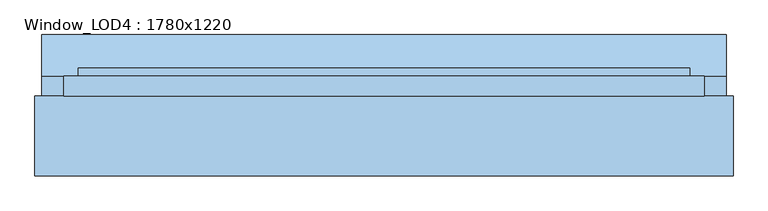
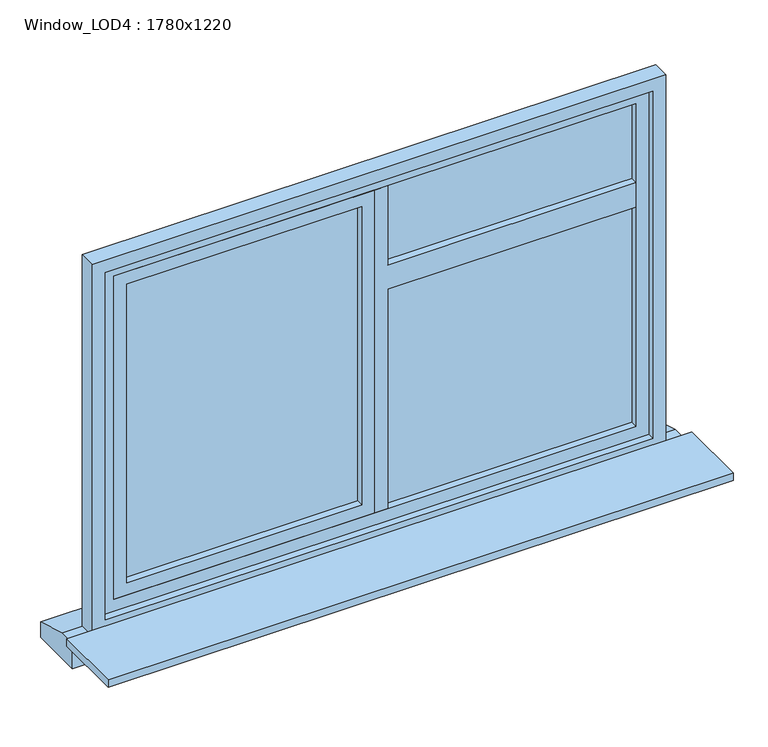
"""IFC4 building model written with IfcOpenShell, lengths in millimetres: window geometry, Window_LOD4 : 1780x1220."""

from ifc_helpers import new_model, si_unit, frame, origin, place, context, project, spatial, polyline, outline, extrude, source, transform, mapped, element, save


def window_lod4_1780x1220_7c3142e9(model_context):
    return source(origin(), model_context, "Body", "SweptSolid", [
        extrude(outline(polyline([(1600.0, 40.0), (1600.0, 810.0000356), (1680.0, 810.0000356), (1680.0, 40.0), (1940.0000489, 40.0), (1940.0000489, 0.0), (880.0, 0.0), (880.0, 40.0), (1600.0, 40.0)])), frame((0.0, 40.0, 0.0), z_axis=(0.0, 1.0, 0.0), x_axis=(0.0, 0.0, 1.0)), (0.0, 0.0, 1.0), 55.0),
        extrude(outline(polyline([(1940.0000489, 0.0), (1940.0000489, -810.0000356), (880.0, -810.0000356), (880.0, 0.0), (1940.0000489, 0.0)]), holes=[polyline([(1900.0000489, -40.0), (920.0, -40.0), (920.0, -770.0000356), (1900.0000489, -770.0000356), (1900.0000489, -40.0)])]), frame((0.0, 40.0, 0.0), z_axis=(0.0, 1.0, 0.0), x_axis=(0.0, 0.0, 1.0)), (0.0, 0.0, 1.0), 55.0),
        extrude(outline(polyline([(810.0000356, 62.5), (40.0, 62.5), (40.0, 72.5), (810.0000356, 72.5), (810.0000356, 62.5)])), frame((0.0, 0.0, 880.0), z_axis=(0.0, 0.0, 1.0), x_axis=(1.0, 0.0, 0.0)), (0.0, 0.0, 1.0), 1060.0000489),
        extrude(outline(polyline([(1980.0000489, -850.0000356), (840.0, -850.0000356), (840.0, 850.0000356), (1980.0000489, 850.0000356), (1980.0000489, -850.0000356)]), holes=[polyline([(1940.0000489, -810.0000356), (1940.0000489, 810.0000356), (880.0, 810.0000356), (880.0, -810.0000356), (1940.0000489, -810.0000356)])]), frame((0.0, 40.0, 0.0), z_axis=(0.0, 1.0, 0.0), x_axis=(0.0, 0.0, 1.0)), (0.0, 0.0, 1.0), 55.0),
        extrude(outline(polyline([(-40.0, 62.5), (-810.0000356, 62.5), (-810.0000356, 72.5), (-40.0, 72.5), (-40.0, 62.5)])), frame((0.0, 0.0, 880.0), z_axis=(0.0, 0.0, 1.0), x_axis=(1.0, 0.0, 0.0)), (0.0, 0.0, 1.0), 1060.0000489),
        extrude(outline(polyline([(72.5, 800.0), (187.5, 765.0), (187.5, 715.0), (17.5, 715.0), (17.5, 800.0), (72.5, 800.0)])), frame((-951.497375, 0.0, 0.0), z_axis=(1.0, 0.0, 0.0), x_axis=(0.0, 1.0, 0.0)), (0.0, 0.0, 1.0), 1902.99475),
        extrude(outline(polyline([(2020.0000489, -890.0000356), (800.0, -890.0000356), (800.0, 890.0000356), (2020.0000489, 890.0000356), (2020.0000489, -890.0000356)]), holes=[polyline([(1980.0000489, -850.0000356), (1980.0000489, 850.0000356), (840.0, 850.0000356), (840.0, -850.0000356), (1980.0000489, -850.0000356)])]), frame((0.0, 17.5, 0.0), z_axis=(0.0, 1.0, 0.0), x_axis=(0.0, 0.0, 1.0)), (0.0, 0.0, 1.0), 55.0),
        extrude(outline(polyline([(970.0000356, 17.5), (970.0000356, -205.4656872), (-970.0000356, -205.4656872), (-970.0000356, 17.5), (970.0000356, 17.5)])), frame((0.0, 0.0, 795.0), z_axis=(0.0, 0.0, 1.0), x_axis=(1.0, 0.0, 0.0)), (0.0, 0.0, 1.0), 25.0),
    ])


if __name__ == "__main__":
    model = new_model("IFC4")
    model_context = context("Model", 3, world=origin())
    ifc_project = project(units=[si_unit("LENGTHUNIT", "METRE", prefix="MILLI")], contexts=[model_context])
    site = spatial("IfcSite", under=ifc_project)
    building = spatial("IfcBuilding", under=site)
    placement = place(None, origin())
    window_lod4_1780x1220_shape = window_lod4_1780x1220_7c3142e9(model_context)
    element("IfcWindow", 1, ObjectType="Window_LOD4 : 1780x1220", at=placement, inside=building, context=model_context, shape_type="MappedRepresentation", body=[
        mapped(window_lod4_1780x1220_shape, transform((0.0, 0.0, 0.0), x_axis=(1.0, 0.0, 0.0), y_axis=(0.0, 1.0, 0.0), z_axis=(0.0, 0.0, 1.0))),
    ])
    save(model, "model.ifc")
